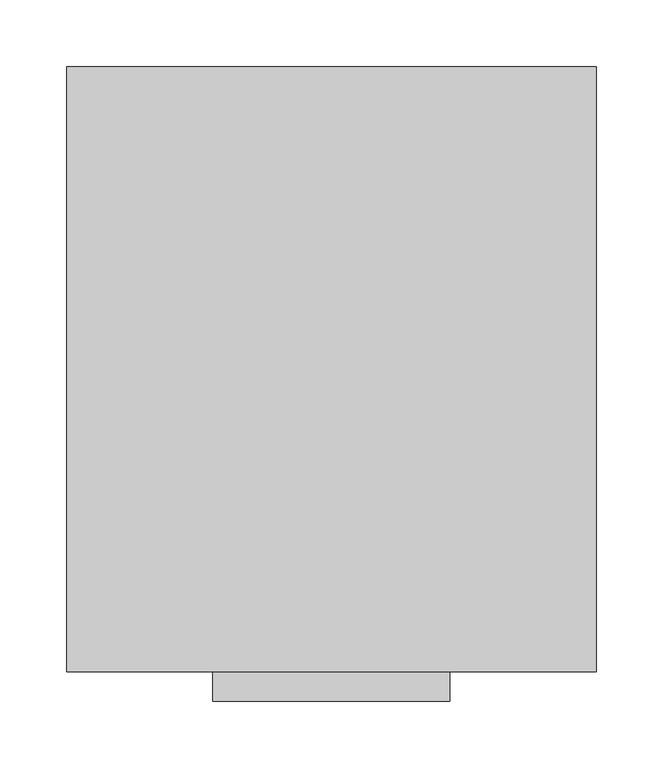
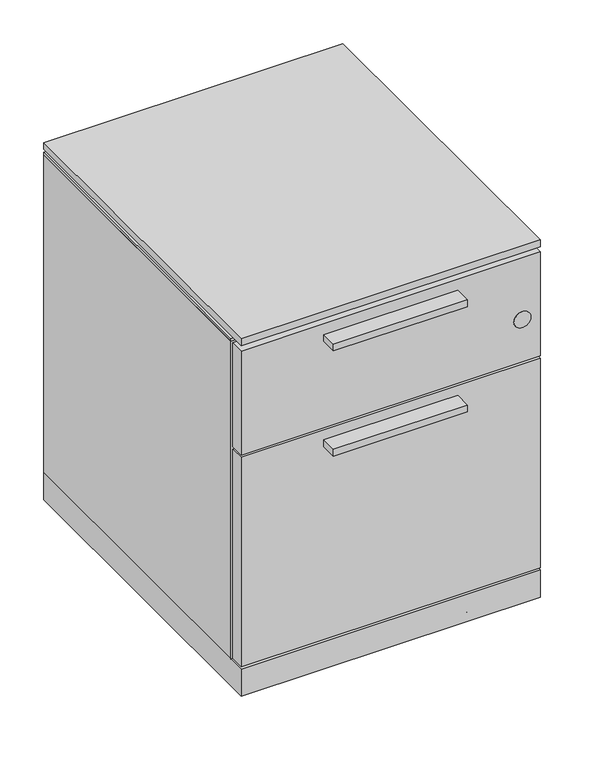
"""IFC4 building model written with IfcOpenShell, lengths in millimetres: furniture geometry."""

from ifc_helpers import new_model, si_unit, point, frame, frame_2d, origin, place, context, project, spatial, polyline, circle_curve, trimmed, segment, composite_curve, outline, extrude, faceted_brep, source, transform, mapped, element, save
from ifc_brep_helpers import plane_surface, cylinder_surface, advanced_brep


def furniture_169a8b0d(model_context):
    return source(origin(), model_context, "Body", "SolidModel", [
        advanced_brep(
        [(307.2109892, 53.97246, 18.653125), (307.2109892, 53.97246, 0.0), (307.2109892, 53.97246, 37.30625), (358.0109892, 53.97246, 37.30625), (358.0109892, 53.97246, 0.0), (358.0109892, 53.97246, 18.653125), (324.1443225, 53.97246, 0.0), (324.1443225, 53.97246, 37.30625), (324.1443225, 53.97246, 11.6085937), (324.1443225, 53.97246, 25.6976562), (341.0776558, 53.97246, 11.6085937), (341.0776558, 53.97246, 25.6976562), (341.0776558, 53.97246, 0.0), (341.0776558, 53.97246, 37.30625)],
        [
            (0, 1),
            (1, 2, circle_curve(frame((307.2109892, 53.97246, 18.653125), z_axis=(-1.0, 0.0, 0.0), x_axis=(0.0, 0.0, -1.0)), 18.653125)),
            (2, 0),
            (2, 1, circle_curve(frame((307.2109892, 53.97246, 18.653125), z_axis=(-1.0, 0.0, 0.0), x_axis=(0.0, 0.0, -1.0)), 18.653125)),
            (3, 4, circle_curve(frame((358.0109892, 53.97246, 18.653125), z_axis=(1.0, 0.0, 0.0), x_axis=(0.0, 0.0, -1.0)), 18.653125)),
            (4, 5),
            (5, 3),
            (4, 3, circle_curve(frame((358.0109892, 53.97246, 18.653125), z_axis=(1.0, 0.0, 0.0), x_axis=(0.0, 0.0, -1.0)), 18.653125)),
            (1, 6),
            (6, 7, circle_curve(frame((324.1443225, 53.97246, 18.653125), z_axis=(-1.0, 0.0, 0.0), x_axis=(0.0, 0.0, -1.0)), 18.653125)),
            (7, 2),
            (7, 6, circle_curve(frame((324.1443225, 53.97246, 18.653125), z_axis=(-1.0, 0.0, 0.0), x_axis=(0.0, 0.0, -1.0)), 18.653125)),
            (6, 8),
            (8, 9, circle_curve(frame((324.1443225, 53.97246, 18.653125), z_axis=(-1.0, 0.0, 0.0), x_axis=(0.0, 0.0, -1.0)), 7.0445312)),
            (9, 7),
            (9, 8, circle_curve(frame((324.1443225, 53.97246, 18.653125), z_axis=(-1.0, 0.0, 0.0), x_axis=(0.0, 0.0, -1.0)), 7.0445312)),
            (8, 10),
            (10, 11, circle_curve(frame((341.0776558, 53.97246, 18.653125), z_axis=(-1.0, 0.0, 0.0), x_axis=(0.0, 0.0, -1.0)), 7.0445312)),
            (11, 9),
            (11, 10, circle_curve(frame((341.0776558, 53.97246, 18.653125), z_axis=(-1.0, 0.0, 0.0), x_axis=(0.0, 0.0, -1.0)), 7.0445312)),
            (10, 12),
            (12, 13, circle_curve(frame((341.0776558, 53.97246, 18.653125), z_axis=(-1.0, 0.0, 0.0), x_axis=(0.0, 0.0, -1.0)), 18.653125)),
            (13, 11),
            (13, 12, circle_curve(frame((341.0776558, 53.97246, 18.653125), z_axis=(-1.0, 0.0, 0.0), x_axis=(0.0, 0.0, -1.0)), 18.653125)),
            (12, 4),
            (3, 13),
        ],
        [
            plane_surface(frame((307.2109892, 53.97246, 18.653125), z_axis=(-1.0, 0.0, 0.0), x_axis=(0.0, 0.0, -1.0))),
            plane_surface(frame((358.0109892, 53.97246, 18.653125), z_axis=(1.0, 0.0, 0.0), x_axis=(0.0, 0.0, -1.0))),
            cylinder_surface(frame((307.2109892, 53.97246, 18.653125), z_axis=(-1.0, 0.0, 0.0), x_axis=(0.0, 0.0, -1.0)), 18.653125),
            plane_surface(frame((324.1443225, 53.97246, 18.653125), z_axis=(1.0, 0.0, 0.0), x_axis=(0.0, 0.0, -1.0))),
            cylinder_surface(frame((307.2109892, 53.97246, 18.653125), z_axis=(-1.0, 0.0, 0.0), x_axis=(0.0, 0.0, -1.0)), 7.0445312),
            plane_surface(frame((341.0776558, 53.97246, 18.653125), z_axis=(-1.0, 0.0, 0.0), x_axis=(0.0, 0.0, -1.0))),
        ],
        [
            (0, [[1, 2, 3]]),
            (0, [[-3, 4, -1]]),
            (1, [[5, 6, 7]]),
            (1, [[8, -7, -6]]),
            (2, [[-2, 9, 10, 11]]),
            (2, [[-4, -11, 12, -9]]),
            (3, [[-10, 13, 14, 15]]),
            (3, [[-12, -15, 16, -13]]),
            (4, [[-14, 17, 18, 19]]),
            (4, [[-16, -19, 20, -17]]),
            (5, [[-18, 21, 22, 23]]),
            (5, [[-20, -23, 24, -21]]),
            (2, [[-22, 25, -5, 26]]),
            (2, [[-24, -26, -8, -25]]),
        ],
    ),
        advanced_brep(
        [(307.2109892, 378.5616, 18.653125), (307.2109892, 378.5616, 0.0), (307.2109892, 378.5616, 37.30625), (358.0109892, 378.5616, 37.30625), (358.0109892, 378.5616, 0.0), (358.0109892, 378.5616, 18.653125), (324.1443225, 378.5616, 0.0), (324.1443225, 378.5616, 37.30625), (324.1443225, 378.5616, 11.6085937), (324.1443225, 378.5616, 25.6976562), (341.0776558, 378.5616, 11.6085937), (341.0776558, 378.5616, 25.6976562), (341.0776558, 378.5616, 0.0), (341.0776558, 378.5616, 37.30625)],
        [
            (0, 1),
            (1, 2, circle_curve(frame((307.2109892, 378.5616, 18.653125), z_axis=(-1.0, 0.0, 0.0), x_axis=(0.0, 0.0, -1.0)), 18.653125)),
            (2, 0),
            (2, 1, circle_curve(frame((307.2109892, 378.5616, 18.653125), z_axis=(-1.0, 0.0, 0.0), x_axis=(0.0, 0.0, -1.0)), 18.653125)),
            (3, 4, circle_curve(frame((358.0109892, 378.5616, 18.653125), z_axis=(1.0, 0.0, 0.0), x_axis=(0.0, 0.0, -1.0)), 18.653125)),
            (4, 5),
            (5, 3),
            (4, 3, circle_curve(frame((358.0109892, 378.5616, 18.653125), z_axis=(1.0, 0.0, 0.0), x_axis=(0.0, 0.0, -1.0)), 18.653125)),
            (1, 6),
            (6, 7, circle_curve(frame((324.1443225, 378.5616, 18.653125), z_axis=(-1.0, 0.0, 0.0), x_axis=(0.0, 0.0, -1.0)), 18.653125)),
            (7, 2),
            (7, 6, circle_curve(frame((324.1443225, 378.5616, 18.653125), z_axis=(-1.0, 0.0, 0.0), x_axis=(0.0, 0.0, -1.0)), 18.653125)),
            (6, 8),
            (8, 9, circle_curve(frame((324.1443225, 378.5616, 18.653125), z_axis=(-1.0, 0.0, 0.0), x_axis=(0.0, 0.0, -1.0)), 7.0445312)),
            (9, 7),
            (9, 8, circle_curve(frame((324.1443225, 378.5616, 18.653125), z_axis=(-1.0, 0.0, 0.0), x_axis=(0.0, 0.0, -1.0)), 7.0445312)),
            (8, 10),
            (10, 11, circle_curve(frame((341.0776558, 378.5616, 18.653125), z_axis=(-1.0, 0.0, 0.0), x_axis=(0.0, 0.0, -1.0)), 7.0445312)),
            (11, 9),
            (11, 10, circle_curve(frame((341.0776558, 378.5616, 18.653125), z_axis=(-1.0, 0.0, 0.0), x_axis=(0.0, 0.0, -1.0)), 7.0445312)),
            (10, 12),
            (12, 13, circle_curve(frame((341.0776558, 378.5616, 18.653125), z_axis=(-1.0, 0.0, 0.0), x_axis=(0.0, 0.0, -1.0)), 18.653125)),
            (13, 11),
            (13, 12, circle_curve(frame((341.0776558, 378.5616, 18.653125), z_axis=(-1.0, 0.0, 0.0), x_axis=(0.0, 0.0, -1.0)), 18.653125)),
            (12, 4),
            (3, 13),
        ],
        [
            plane_surface(frame((307.2109892, 378.5616, 18.653125), z_axis=(-1.0, 0.0, 0.0), x_axis=(0.0, 0.0, -1.0))),
            plane_surface(frame((358.0109892, 378.5616, 18.653125), z_axis=(1.0, 0.0, 0.0), x_axis=(0.0, 0.0, -1.0))),
            cylinder_surface(frame((307.2109892, 378.5616, 18.653125), z_axis=(-1.0, 0.0, 0.0), x_axis=(0.0, 0.0, -1.0)), 18.653125),
            plane_surface(frame((324.1443225, 378.5616, 18.653125), z_axis=(1.0, 0.0, 0.0), x_axis=(0.0, 0.0, -1.0))),
            cylinder_surface(frame((307.2109892, 378.5616, 18.653125), z_axis=(-1.0, 0.0, 0.0), x_axis=(0.0, 0.0, -1.0)), 7.0445312),
            plane_surface(frame((341.0776558, 378.5616, 18.653125), z_axis=(-1.0, 0.0, 0.0), x_axis=(0.0, 0.0, -1.0))),
        ],
        [
            (0, [[1, 2, 3]]),
            (0, [[-3, 4, -1]]),
            (1, [[5, 6, 7]]),
            (1, [[8, -7, -6]]),
            (2, [[-2, 9, 10, 11]]),
            (2, [[-4, -11, 12, -9]]),
            (3, [[-10, 13, 14, 15]]),
            (3, [[-12, -15, 16, -13]]),
            (4, [[-14, 17, 18, 19]]),
            (4, [[-16, -19, 20, -17]]),
            (5, [[-18, 21, 22, 23]]),
            (5, [[-20, -23, 24, -21]]),
            (2, [[-22, 25, -5, 26]]),
            (2, [[-24, -26, -8, -25]]),
        ],
    ),
        advanced_brep(
        [(39.72814, 378.5616, 18.653125), (39.72814, 378.5616, 0.0), (39.72814, 378.5616, 37.30625), (90.52814, 378.5616, 37.30625), (90.52814, 378.5616, 0.0), (90.52814, 378.5616, 18.653125), (56.6614733, 378.5616, 0.0), (56.6614733, 378.5616, 37.30625), (56.6614733, 378.5616, 11.6085937), (56.6614733, 378.5616, 25.6976562), (73.5948067, 378.5616, 11.6085937), (73.5948067, 378.5616, 25.6976562), (73.5948067, 378.5616, 0.0), (73.5948067, 378.5616, 37.30625)],
        [
            (0, 1),
            (1, 2, circle_curve(frame((39.72814, 378.5616, 18.653125), z_axis=(-1.0, 0.0, 0.0), x_axis=(0.0, 0.0, -1.0)), 18.653125)),
            (2, 0),
            (2, 1, circle_curve(frame((39.72814, 378.5616, 18.653125), z_axis=(-1.0, 0.0, 0.0), x_axis=(0.0, 0.0, -1.0)), 18.653125)),
            (3, 4, circle_curve(frame((90.52814, 378.5616, 18.653125), z_axis=(1.0, 0.0, 0.0), x_axis=(0.0, 0.0, -1.0)), 18.653125)),
            (4, 5),
            (5, 3),
            (4, 3, circle_curve(frame((90.52814, 378.5616, 18.653125), z_axis=(1.0, 0.0, 0.0), x_axis=(0.0, 0.0, -1.0)), 18.653125)),
            (1, 6),
            (6, 7, circle_curve(frame((56.6614733, 378.5616, 18.653125), z_axis=(-1.0, 0.0, 0.0), x_axis=(0.0, 0.0, -1.0)), 18.653125)),
            (7, 2),
            (7, 6, circle_curve(frame((56.6614733, 378.5616, 18.653125), z_axis=(-1.0, 0.0, 0.0), x_axis=(0.0, 0.0, -1.0)), 18.653125)),
            (6, 8),
            (8, 9, circle_curve(frame((56.6614733, 378.5616, 18.653125), z_axis=(-1.0, 0.0, 0.0), x_axis=(0.0, 0.0, -1.0)), 7.0445312)),
            (9, 7),
            (9, 8, circle_curve(frame((56.6614733, 378.5616, 18.653125), z_axis=(-1.0, 0.0, 0.0), x_axis=(0.0, 0.0, -1.0)), 7.0445312)),
            (8, 10),
            (10, 11, circle_curve(frame((73.5948067, 378.5616, 18.653125), z_axis=(-1.0, 0.0, 0.0), x_axis=(0.0, 0.0, -1.0)), 7.0445312)),
            (11, 9),
            (11, 10, circle_curve(frame((73.5948067, 378.5616, 18.653125), z_axis=(-1.0, 0.0, 0.0), x_axis=(0.0, 0.0, -1.0)), 7.0445312)),
            (10, 12),
            (12, 13, circle_curve(frame((73.5948067, 378.5616, 18.653125), z_axis=(-1.0, 0.0, 0.0), x_axis=(0.0, 0.0, -1.0)), 18.653125)),
            (13, 11),
            (13, 12, circle_curve(frame((73.5948067, 378.5616, 18.653125), z_axis=(-1.0, 0.0, 0.0), x_axis=(0.0, 0.0, -1.0)), 18.653125)),
            (12, 4),
            (3, 13),
        ],
        [
            plane_surface(frame((39.72814, 378.5616, 18.653125), z_axis=(-1.0, 0.0, 0.0), x_axis=(0.0, 0.0, -1.0))),
            plane_surface(frame((90.52814, 378.5616, 18.653125), z_axis=(1.0, 0.0, 0.0), x_axis=(0.0, 0.0, -1.0))),
            cylinder_surface(frame((39.72814, 378.5616, 18.653125), z_axis=(-1.0, 0.0, 0.0), x_axis=(0.0, 0.0, -1.0)), 18.653125),
            plane_surface(frame((56.6614733, 378.5616, 18.653125), z_axis=(1.0, 0.0, 0.0), x_axis=(0.0, 0.0, -1.0))),
            cylinder_surface(frame((39.72814, 378.5616, 18.653125), z_axis=(-1.0, 0.0, 0.0), x_axis=(0.0, 0.0, -1.0)), 7.0445312),
            plane_surface(frame((73.5948067, 378.5616, 18.653125), z_axis=(-1.0, 0.0, 0.0), x_axis=(0.0, 0.0, -1.0))),
        ],
        [
            (0, [[1, 2, 3]]),
            (0, [[-3, 4, -1]]),
            (1, [[5, 6, 7]]),
            (1, [[8, -7, -6]]),
            (2, [[-2, 9, 10, 11]]),
            (2, [[-4, -11, 12, -9]]),
            (3, [[-10, 13, 14, 15]]),
            (3, [[-12, -15, 16, -13]]),
            (4, [[-14, 17, 18, 19]]),
            (4, [[-16, -19, 20, -17]]),
            (5, [[-18, 21, 22, 23]]),
            (5, [[-20, -23, 24, -21]]),
            (2, [[-22, 25, -5, 26]]),
            (2, [[-24, -26, -8, -25]]),
        ],
    ),
        advanced_brep(
        [(39.72814, 53.97246, 18.653125), (39.72814, 53.97246, 0.0), (39.72814, 53.97246, 37.30625), (90.52814, 53.97246, 37.30625), (90.52814, 53.97246, 0.0), (90.52814, 53.97246, 18.653125), (56.6614733, 53.97246, 0.0), (56.6614733, 53.97246, 37.30625), (56.6614733, 53.97246, 11.6085937), (56.6614733, 53.97246, 25.6976562), (73.5948067, 53.97246, 11.6085937), (73.5948067, 53.97246, 25.6976562), (73.5948067, 53.97246, 0.0), (73.5948067, 53.97246, 37.30625)],
        [
            (0, 1),
            (1, 2, circle_curve(frame((39.72814, 53.97246, 18.653125), z_axis=(-1.0, 0.0, 0.0), x_axis=(0.0, 0.0, -1.0)), 18.653125)),
            (2, 0),
            (2, 1, circle_curve(frame((39.72814, 53.97246, 18.653125), z_axis=(-1.0, 0.0, 0.0), x_axis=(0.0, 0.0, -1.0)), 18.653125)),
            (3, 4, circle_curve(frame((90.52814, 53.97246, 18.653125), z_axis=(1.0, 0.0, 0.0), x_axis=(0.0, 0.0, -1.0)), 18.653125)),
            (4, 5),
            (5, 3),
            (4, 3, circle_curve(frame((90.52814, 53.97246, 18.653125), z_axis=(1.0, 0.0, 0.0), x_axis=(0.0, 0.0, -1.0)), 18.653125)),
            (1, 6),
            (6, 7, circle_curve(frame((56.6614733, 53.97246, 18.653125), z_axis=(-1.0, 0.0, 0.0), x_axis=(0.0, 0.0, -1.0)), 18.653125)),
            (7, 2),
            (7, 6, circle_curve(frame((56.6614733, 53.97246, 18.653125), z_axis=(-1.0, 0.0, 0.0), x_axis=(0.0, 0.0, -1.0)), 18.653125)),
            (6, 8),
            (8, 9, circle_curve(frame((56.6614733, 53.97246, 18.653125), z_axis=(-1.0, 0.0, 0.0), x_axis=(0.0, 0.0, -1.0)), 7.0445312)),
            (9, 7),
            (9, 8, circle_curve(frame((56.6614733, 53.97246, 18.653125), z_axis=(-1.0, 0.0, 0.0), x_axis=(0.0, 0.0, -1.0)), 7.0445312)),
            (8, 10),
            (10, 11, circle_curve(frame((73.5948067, 53.97246, 18.653125), z_axis=(-1.0, 0.0, 0.0), x_axis=(0.0, 0.0, -1.0)), 7.0445312)),
            (11, 9),
            (11, 10, circle_curve(frame((73.5948067, 53.97246, 18.653125), z_axis=(-1.0, 0.0, 0.0), x_axis=(0.0, 0.0, -1.0)), 7.0445312)),
            (10, 12),
            (12, 13, circle_curve(frame((73.5948067, 53.97246, 18.653125), z_axis=(-1.0, 0.0, 0.0), x_axis=(0.0, 0.0, -1.0)), 18.653125)),
            (13, 11),
            (13, 12, circle_curve(frame((73.5948067, 53.97246, 18.653125), z_axis=(-1.0, 0.0, 0.0), x_axis=(0.0, 0.0, -1.0)), 18.653125)),
            (12, 4),
            (3, 13),
        ],
        [
            plane_surface(frame((39.72814, 53.97246, 18.653125), z_axis=(-1.0, 0.0, 0.0), x_axis=(0.0, 0.0, -1.0))),
            plane_surface(frame((90.52814, 53.97246, 18.653125), z_axis=(1.0, 0.0, 0.0), x_axis=(0.0, 0.0, -1.0))),
            cylinder_surface(frame((39.72814, 53.97246, 18.653125), z_axis=(-1.0, 0.0, 0.0), x_axis=(0.0, 0.0, -1.0)), 18.653125),
            plane_surface(frame((56.6614733, 53.97246, 18.653125), z_axis=(1.0, 0.0, 0.0), x_axis=(0.0, 0.0, -1.0))),
            cylinder_surface(frame((39.72814, 53.97246, 18.653125), z_axis=(-1.0, 0.0, 0.0), x_axis=(0.0, 0.0, -1.0)), 7.0445312),
            plane_surface(frame((73.5948067, 53.97246, 18.653125), z_axis=(-1.0, 0.0, 0.0), x_axis=(0.0, 0.0, -1.0))),
        ],
        [
            (0, [[1, 2, 3]]),
            (0, [[-3, 4, -1]]),
            (1, [[5, 6, 7]]),
            (1, [[8, -7, -6]]),
            (2, [[-2, 9, 10, 11]]),
            (2, [[-4, -11, 12, -9]]),
            (3, [[-10, 13, 14, 15]]),
            (3, [[-12, -15, 16, -13]]),
            (4, [[-14, 17, 18, 19]]),
            (4, [[-16, -19, 20, -17]]),
            (5, [[-18, 21, 22, 23]]),
            (5, [[-20, -23, 24, -21]]),
            (2, [[-22, 25, -5, 26]]),
            (2, [[-24, -26, -8, -25]]),
        ],
    ),
        extrude(outline(polyline([(287.6042, -22.225), (109.8042, -22.225), (109.8042, 0.0), (287.6042, 0.0), (287.6042, -22.225)])), frame((0.0, 0.0, 337.9343), z_axis=(0.0, 0.0, 1.0), x_axis=(1.0, 0.0, 0.0)), (0.0, 0.0, 1.0), 9.525),
        extrude(outline(polyline([(287.6042, -22.225), (109.8042, -22.225), (109.8042, 0.0), (287.6042, 0.0), (287.6042, -22.225)])), frame((0.0, 0.0, 485.6353), z_axis=(0.0, 0.0, 1.0), x_axis=(1.0, 0.0, 0.0)), (0.0, 0.0, 1.0), 9.525),
        extrude(outline(polyline([(0.0, 454.025), (397.4084, 454.025), (397.4084, 23.0632), (0.0, 23.0632), (0.0, 454.025)])), frame((0.0, 0.0, 510.5146), z_axis=(0.0, 0.0, 1.0), x_axis=(1.0, 0.0, 0.0)), (0.0, 0.0, 1.0), 3.429),
        extrude(outline(composite_curve([segment(trimmed(circle_curve(frame_2d((424.00982, 373.2149)), 11.176), [point((424.00982, 384.3909))], [point((424.00982, 362.0389))], False, "CARTESIAN"), True, "CONTINUOUS"), segment(trimmed(circle_curve(frame_2d((424.00982, 373.2149)), 11.176), [point((424.00982, 362.0389))], [point((424.00982, 384.3909))], False, "CARTESIAN"), True, "CONTINUOUS")], self_intersect=False)), frame((0.0, -0.254, 0.0), z_axis=(0.0, 1.0, 0.0), x_axis=(0.0, 0.0, 1.0)), (0.0, 0.0, 1.0), 4.69392),
        extrude(outline(polyline([(397.4084, 19.304), (397.4084, 0.0), (0.0, 0.0), (0.0, 19.304), (397.4084, 19.304)])), frame((0.0, 0.0, 67.5386), z_axis=(0.0, 0.0, 1.0), x_axis=(1.0, 0.0, 0.0)), (0.0, 0.0, 1.0), 293.751),
        extrude(outline(polyline([(397.4084, 19.304), (397.4084, 0.0), (0.0, 0.0), (0.0, 19.304), (397.4084, 19.304)])), frame((0.0, 0.0, 364.4646), z_axis=(0.0, 0.0, 1.0), x_axis=(1.0, 0.0, 0.0)), (0.0, 0.0, 1.0), 146.05),
        extrude(outline(polyline([(397.4084, 0.0), (0.0, 0.0), (0.0, 454.025), (397.4084, 454.025), (397.4084, 0.0)])), frame((0.0, 0.0, 518.0076), z_axis=(0.0, 0.0, 1.0), x_axis=(1.0, 0.0, 0.0)), (0.0, 0.0, 1.0), 9.525),
        extrude(outline(polyline([(397.4084, 454.025), (397.4084, 0.0), (0.0, 0.0), (0.0, 454.025), (397.4084, 454.025)])), frame((0.0, 0.0, 26.2636), z_axis=(0.0, 0.0, 1.0), x_axis=(1.0, 0.0, 0.0)), (0.0, 0.0, 1.0), 38.1),
        faceted_brep([(397.4084, 454.025, 510.5146), (397.4084, 454.025, 64.3636), (0.0, 454.025, 64.3636), (0.0, 454.025, 510.5146), (0.0, 23.0632, 510.5146), (397.4084, 23.0632, 510.5146), (0.0, 23.0632, 64.3636), (397.4084, 23.0632, 64.3636), (378.1044, 23.0632, 64.3636), (378.1044, 434.721, 64.3636), (19.304, 434.721, 64.3636), (19.304, 23.0632, 64.3636), (378.1044, 434.721, 491.2106), (19.304, 434.721, 491.2106), (378.1044, 23.0632, 491.2106), (19.304, 23.0632, 491.2106)], [[[0, 1, 2, 3]], [[0, 3, 4, 5]], [[3, 2, 6, 4]], [[2, 1, 7, 8, 9, 10, 11, 6]], [[1, 0, 5, 7]], [[12, 13, 10, 9]], [[13, 12, 14, 15]], [[10, 13, 15, 11]], [[12, 9, 8, 14]], [[5, 4, 6, 11, 15, 14, 8, 7]]]),
    ])


if __name__ == "__main__":
    model = new_model("IFC4")
    model_context = context("Model", 3, world=origin())
    ifc_project = project(units=[si_unit("LENGTHUNIT", "METRE", prefix="MILLI")], contexts=[model_context])
    site = spatial("IfcSite", under=ifc_project)
    building = spatial("IfcBuilding", under=site)
    placement = place(None, origin())
    furniture_shape = furniture_169a8b0d(model_context)
    element("IfcFurniture", 1, at=placement, inside=building, context=model_context, shape_type="MappedRepresentation", body=[
        mapped(furniture_shape, transform((0.0, 0.0, 0.0), x_axis=(1.0, 0.0, 0.0), y_axis=(0.0, 1.0, 0.0), z_axis=(0.0, 0.0, 1.0))),
    ])
    save(model, "model.ifc")
